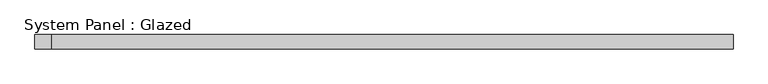
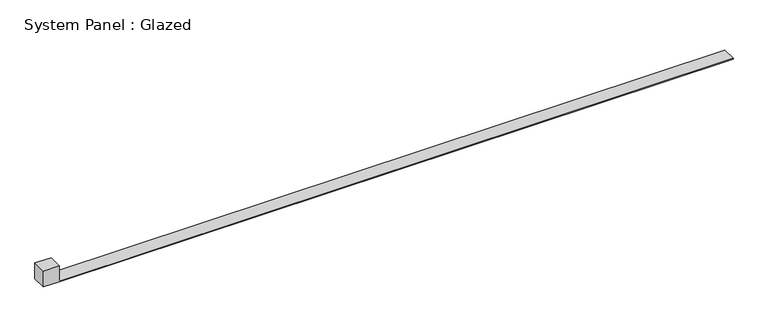
"""IFC4 building model written with IfcOpenShell, lengths in millimetres: plate geometry, System Panel : Glazed."""

from ifc_helpers import new_model, si_unit, frame, origin, place, context, project, spatial, polyline, outline, extrude, source, transform, mapped, element, save


def system_panel_glazed_e3ef8719(model_context):
    return source(origin(), model_context, "Body", "SweptSolid", [
        extrude(outline(polyline([(0.0, -609.6), (0.0, -581.025), (0.0, 609.6), (1.0560671, 609.6), (1.0560671, -581.025), (29.66714, -581.025), (29.66714, -609.6), (0.0, -609.6)])), frame((0.0, -12.7, 0.0), z_axis=(0.0, 1.0, 0.0), x_axis=(0.0, 0.0, 1.0)), (0.0, 0.0, 1.0), 25.4),
    ])


if __name__ == "__main__":
    model = new_model("IFC4")
    model_context = context("Model", 3, world=origin())
    ifc_project = project(units=[si_unit("LENGTHUNIT", "METRE", prefix="MILLI")], contexts=[model_context])
    site = spatial("IfcSite", under=ifc_project)
    building = spatial("IfcBuilding", under=site)
    placement = place(None, origin())
    system_panel_glazed_shape = system_panel_glazed_e3ef8719(model_context)
    element("IfcPlate", 1, ObjectType="System Panel : Glazed", at=placement, inside=building, context=model_context, shape_type="MappedRepresentation", body=[
        mapped(system_panel_glazed_shape, transform((0.0, 0.0, 0.0), x_axis=(1.0, 0.0, 0.0), y_axis=(0.0, 1.0, 0.0), z_axis=(0.0, 0.0, 1.0))),
    ])
    save(model, "model.ifc")
